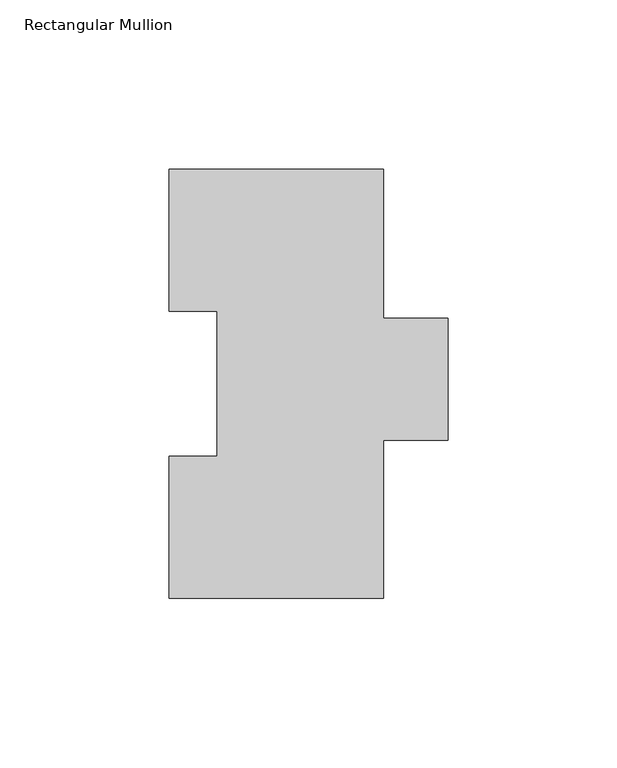
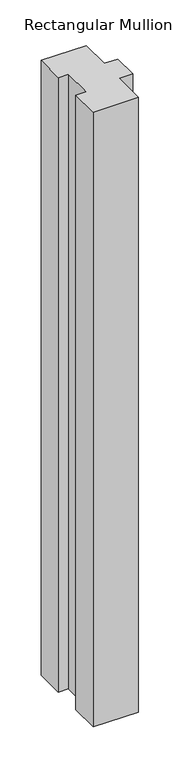
"""IFC4 building model written with IfcOpenShell, lengths in millimetres: member geometry, Rectangular Mullion."""

from ifc_helpers import new_model, si_unit, frame, origin, place, context, project, spatial, polyline, outline, extrude, source, transform, mapped, element, save


def rectangular_mullion_604e1dbf(model_context):
    return source(origin(), model_context, "Body", "SweptSolid", [
        extrude(outline(polyline([(31.7497287, 127.00635), (31.7497287, 82.9313681), (50.8, 82.9313681), (50.8, 46.8376), (31.7497287, 46.8376), (31.7497287, 0.00635), (-31.75, 0.00635), (-31.75, 42.08145), (-17.4625, 42.08145), (-17.4625, 84.93125), (-31.7505426, 84.93125), (-31.7505426, 127.00635), (31.7497287, 127.00635)])), frame((0.0, 0.0, -914.4), z_axis=(0.0, 0.0, 1.0), x_axis=(1.0, 0.0, 0.0)), (0.0, 0.0, 1.0), 914.4),
    ])


if __name__ == "__main__":
    model = new_model("IFC4")
    model_context = context("Model", 3, world=origin())
    ifc_project = project(units=[si_unit("LENGTHUNIT", "METRE", prefix="MILLI")], contexts=[model_context])
    site = spatial("IfcSite", under=ifc_project)
    building = spatial("IfcBuilding", under=site)
    placement = place(None, origin())
    rectangular_mullion_shape = rectangular_mullion_604e1dbf(model_context)
    element("IfcMember", 1, ObjectType="Rectangular Mullion", at=placement, inside=building, context=model_context, shape_type="MappedRepresentation", body=[
        mapped(rectangular_mullion_shape, transform((0.0, 0.0, 0.0), x_axis=(1.0, 0.0, 0.0), y_axis=(0.0, 1.0, 0.0), z_axis=(0.0, 0.0, 1.0))),
    ])
    save(model, "model.ifc")
